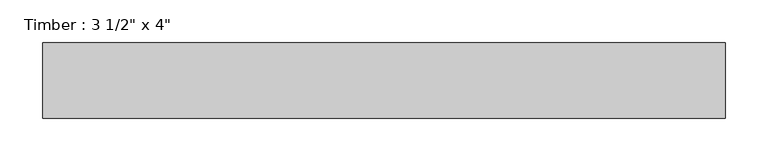
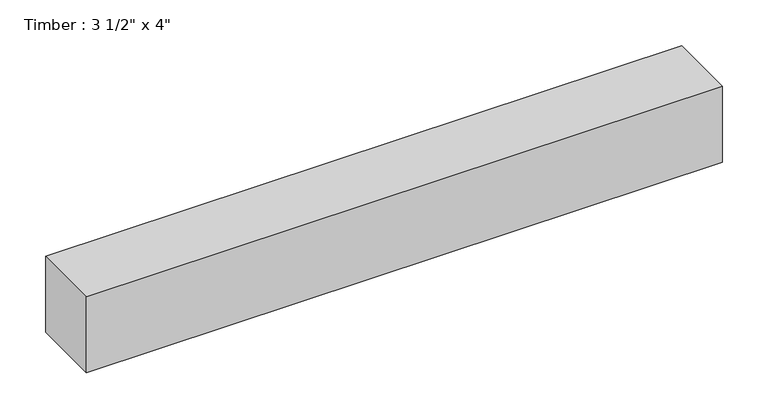
"""IFC4 building model written with IfcOpenShell, lengths in millimetres: beam geometry."""

from ifc_helpers import new_model, si_unit, frame, origin, place, context, project, spatial, polyline, outline, extrude, source, transform, mapped, element, save


def beam_c1794f90(model_context):
    return source(origin(), model_context, "Body", "SweptSolid", [
        extrude(outline(polyline([(401.1326423, 44.45), (401.1326423, -44.45), (-401.1326423, -44.45), (-401.1326423, 44.45), (401.1326423, 44.45)])), frame((0.0, 0.0, -50.8), z_axis=(0.0, 0.0, 1.0), x_axis=(1.0, 0.0, 0.0)), (0.0, 0.0, 1.0), 101.6),
    ])


if __name__ == "__main__":
    model = new_model("IFC4")
    model_context = context("Model", 3, world=origin())
    ifc_project = project(units=[si_unit("LENGTHUNIT", "METRE", prefix="MILLI")], contexts=[model_context])
    site = spatial("IfcSite", under=ifc_project)
    building = spatial("IfcBuilding", under=site)
    placement = place(None, origin())
    beam_shape = beam_c1794f90(model_context)
    element("IfcBeam", 1, ObjectType="Timber : 3 1/2\" x 4\"", at=placement, inside=building, context=model_context, shape_type="MappedRepresentation", body=[
        mapped(beam_shape, transform((0.0, 0.0, 0.0), x_axis=(1.0, 0.0, 0.0), y_axis=(0.0, 1.0, 0.0), z_axis=(0.0, 0.0, 1.0))),
    ])
    save(model, "model.ifc")
